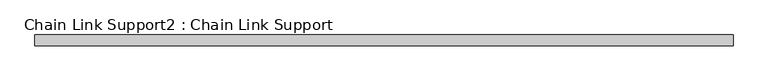
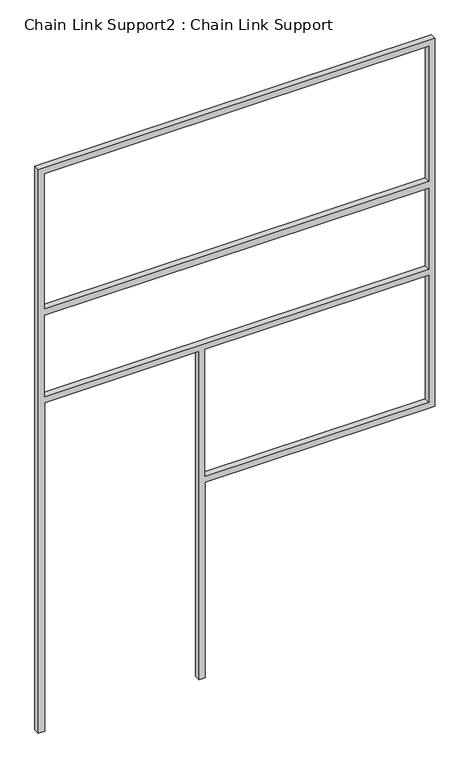
"""IFC4 building model written with IfcOpenShell, lengths in millimetres: proxy geometry, Chain Link Support2 : Chain Link Support."""

from ifc_helpers import new_model, si_unit, frame, origin, place, context, project, spatial, polyline, outline, extrude, source, transform, mapped, element, save


def chain_link_support2_chain_link_support_eda1d89d(model_context):
    return source(origin(), model_context, "Body", "SweptSolid", [
        extrude(outline(polyline([(3657.6, -27072.0118371), (0.0, -27072.0118371), (0.0, -27033.9118371), (2133.6, -27033.9118371), (2133.6, -26084.5868371), (0.0, -26084.5868371), (0.0, -26046.4868371), (1270.0, -26046.4868371), (1270.0, -24633.6118371), (3657.6, -24633.6118371), (3657.6, -27072.0118371)]), holes=[polyline([(2743.2, -27033.9118371), (3619.5, -27033.9118371), (3619.5, -24671.7118371), (2743.2, -24671.7118371), (2743.2, -27033.9118371)]), polyline([(1308.1, -24671.7118371), (1308.1, -26046.4868371), (2133.6, -26046.4868371), (2133.6, -24671.7118371), (1308.1, -24671.7118371)]), polyline([(2171.7, -27033.9118371), (2698.75, -27033.9118371), (2698.75, -24671.7118371), (2171.7, -24671.7118371), (2171.7, -27033.9118371)])]), frame((0.0, 17069.4163978, 0.0), z_axis=(0.0, 1.0, 0.0), x_axis=(0.0, 0.0, 1.0)), (0.0, 0.0, 1.0), 38.1),
    ])


if __name__ == "__main__":
    model = new_model("IFC4")
    model_context = context("Model", 3, world=origin())
    ifc_project = project(units=[si_unit("LENGTHUNIT", "METRE", prefix="MILLI")], contexts=[model_context])
    site = spatial("IfcSite", under=ifc_project)
    building = spatial("IfcBuilding", under=site)
    placement = place(None, origin())
    chain_link_support2_chain_link_support_shape = chain_link_support2_chain_link_support_eda1d89d(model_context)
    element("IfcBuildingElementProxy", 1, Name="Chain Link Support2 : Chain Link Support", ObjectType="Chain Link Support2 : Chain Link Support", at=placement, inside=building, context=model_context, shape_type="MappedRepresentation", body=[
        mapped(chain_link_support2_chain_link_support_shape, transform((0.0, 0.0, 0.0), x_axis=(1.0, 0.0, 0.0), y_axis=(0.0, 1.0, 0.0), z_axis=(0.0, 0.0, 1.0))),
    ])
    save(model, "model.ifc")
